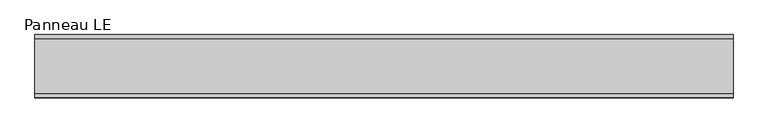
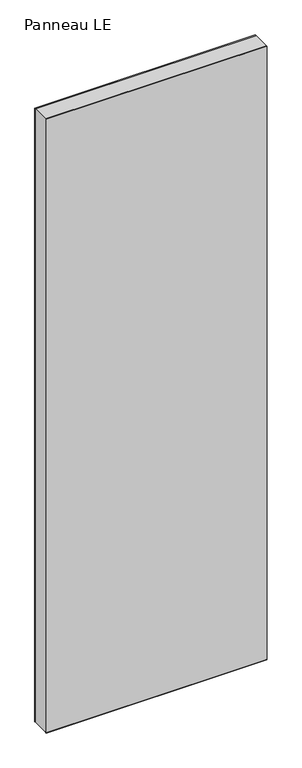
"""IFC4 building model written with IfcOpenShell, lengths in millimetres: plate geometry, Panneau LE."""

from ifc_helpers import new_model, si_unit, frame, origin, origin_with_axes, place, context, project, spatial, polyline, outline, extrude, source, transform, mapped, element, save


def panneau_le_d789c162(model_context):
    return source(origin(), model_context, "Body", "SweptSolid", [
        extrude(outline(polyline([(2933.0, 499.7748676), (2933.0, -499.7748676), (0.0, -499.7748676), (0.0, 499.7748676), (2933.0, 499.7748676)]), holes=[polyline([(60.0, -459.7748676), (2873.0, -459.7748676), (2873.0, 459.7748676), (60.0, 459.7748676), (60.0, -459.7748676)])]), frame((0.0, -39.0, 0.0), z_axis=(0.0, 1.0, 0.0), x_axis=(0.0, 0.0, 1.0)), (0.0, 0.0, 1.0), 78.0),
        extrude(outline(polyline([(-499.7748676, 35.0), (-499.7748676, 45.0), (499.7748676, 45.0), (499.7748676, 35.0), (-499.7748676, 35.0)])), frame((0.0, 0.0, -1.5), z_axis=(0.0, 0.0, 1.0), x_axis=(1.0, 0.0, 0.0)), (0.0, 0.0, 1.0), 1.5),
        extrude(outline(polyline([(-499.7748676, -45.0), (-499.7748676, -35.0), (499.7748676, -35.0), (499.7748676, -45.0), (-499.7748676, -45.0)])), frame((0.0, 0.0, -1.5), z_axis=(0.0, 0.0, 1.0), x_axis=(1.0, 0.0, 0.0)), (0.0, 0.0, 1.0), 1.5),
        extrude(outline(polyline([(499.7748676, 39.0), (-499.7748676, 39.0), (-499.7748676, 45.0), (499.7748676, 45.0), (499.7748676, 39.0)])), origin_with_axes(), (0.0, 0.0, 1.0), 2933.0),
        extrude(outline(polyline([(-499.7748676, -45.0), (-499.7748676, -39.0), (499.7748676, -39.0), (499.7748676, -45.0), (-499.7748676, -45.0)])), origin_with_axes(), (0.0, 0.0, 1.0), 2933.0),
    ])


if __name__ == "__main__":
    model = new_model("IFC4")
    model_context = context("Model", 3, world=origin())
    ifc_project = project(units=[si_unit("LENGTHUNIT", "METRE", prefix="MILLI")], contexts=[model_context])
    site = spatial("IfcSite", under=ifc_project)
    building = spatial("IfcBuilding", under=site)
    placement = place(None, origin())
    panneau_le_shape = panneau_le_d789c162(model_context)
    element("IfcPlate", 1, ObjectType="Panneau LE", at=placement, inside=building, context=model_context, shape_type="MappedRepresentation", body=[
        mapped(panneau_le_shape, transform((0.0, 0.0, 0.0), x_axis=(1.0, 0.0, 0.0), y_axis=(0.0, 1.0, 0.0), z_axis=(0.0, 0.0, 1.0))),
    ])
    save(model, "model.ifc")
